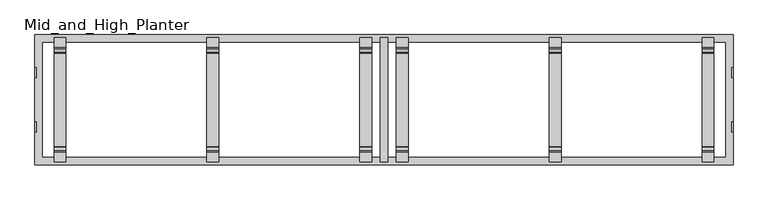
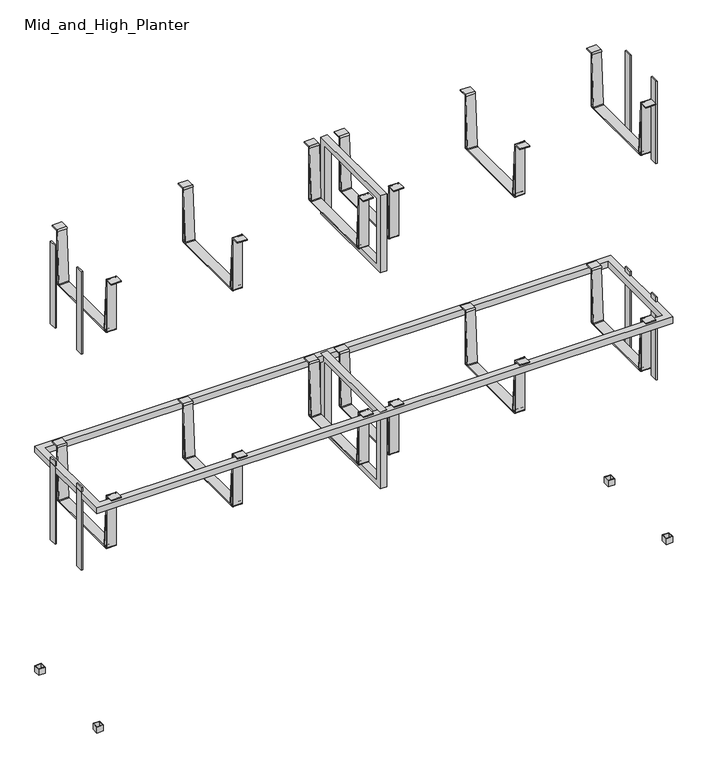
"""IFC4 building model written with IfcOpenShell, lengths in millimetres: furniture geometry, Mid_and_High_Planter."""

import ifcopenshell
import ifcopenshell.guid

model = None  # the IFC model being written
_history = None  # IfcOwnerHistory: only IFC2X3 demands one
_inside = {}  # id of a spatial element -> (the spatial element, [elements in it])
_under = {}  # id of a project, library or spatial element -> (it, [spatial elements below it])
_declared = {}  # id of a project -> (the project, [libraries it declares])
_typed = {}  # id of a type object -> (the type object, [elements of that type])
_made_of = {}  # id of a material, layer set ... -> (it, [elements and type objects made of it])


def new_model(schema):
    """Start an empty IFC model of exactly this schema.

    Asked for "IFC4X3", IfcOpenShell would pick the latest addendum, in which some entities
    have other attributes; the version numbers below select the first issue.
    IFC2X3 requires an IfcOwnerHistory on every rooted entity: one is made here for all.
    """
    global model, _history
    if schema == "IFC4X3":
        model = ifcopenshell.file(schema_version=(4, 3, 0, 0))
    else:
        model = ifcopenshell.file(schema=schema)
    _inside.clear()
    _under.clear()
    _declared.clear()
    _typed.clear()
    _made_of.clear()
    _history = None
    if model.schema == "IFC2X3":
        org = make("IfcOrganization", Name="unknown")
        user = make(
            "IfcPersonAndOrganization",
            ThePerson=make("IfcPerson", FamilyName="unknown"),
            TheOrganization=org,
        )
        app = make(
            "IfcApplication",
            ApplicationDeveloper=org,
            Version="unknown",
            ApplicationFullName="unknown",
            ApplicationIdentifier="unknown",
        )
        _history = make(
            "IfcOwnerHistory",
            OwningUser=user,
            OwningApplication=app,
            ChangeAction="ADDED",
            CreationDate=0,
        )
    return model


def make(cls, **values):
    """One entity of the class cls with the attributes given. An attribute that is None is left unset."""
    return model.create_entity(
        cls, **{name: value for name, value in values.items() if value is not None}
    )


def rooted(cls, **values):
    """An entity with a GlobalId (a new one), such as an element, a storey or a relation."""
    return make(cls, GlobalId=ifcopenshell.guid.new(), OwnerHistory=_history, **values)


def si_unit(unit_type, name, prefix=None):
    """IfcSIUnit, for example si_unit("LENGTHUNIT", "METRE", prefix="MILLI")."""
    return make("IfcSIUnit", UnitType=unit_type, Prefix=prefix, Name=name)


def assignment(units):
    """IfcUnitAssignment: the units of a project."""
    return None if units is None else make("IfcUnitAssignment", Units=units)


def point(xyz):
    """IfcCartesianPoint."""
    return None if xyz is None else make("IfcCartesianPoint", Coordinates=xyz)


def direction(xyz):
    """IfcDirection."""
    return None if xyz is None else make("IfcDirection", DirectionRatios=xyz)


def frame(location, z_axis=None, x_axis=None):
    """IfcAxis2Placement3D, a coordinate frame: its origin and axes. An axis left out is left unset."""
    return make(
        "IfcAxis2Placement3D",
        Location=point(location),
        Axis=direction(z_axis),
        RefDirection=direction(x_axis),
    )


def frame_2d(location, x_axis=None):
    """IfcAxis2Placement2D, a coordinate frame in the plane: its origin and x axis."""
    return make(
        "IfcAxis2Placement2D", Location=point(location), RefDirection=direction(x_axis)
    )


def origin():
    """The frame at (0, 0, 0) with its axes left unset."""
    return frame((0.0, 0.0, 0.0))


def place(relative_to, where):
    """IfcLocalPlacement: puts the frame where relative to a parent placement (None: the world)."""
    return make(
        "IfcLocalPlacement", PlacementRelTo=relative_to, RelativePlacement=where
    )


def context(
    kind, dimensions, precision=None, world=None, true_north=None, identifier=None
):
    """IfcGeometricRepresentationContext, for example the 3D "Model" context."""
    return make(
        "IfcGeometricRepresentationContext",
        ContextIdentifier=identifier,
        ContextType=kind,
        CoordinateSpaceDimension=dimensions,
        Precision=precision,
        WorldCoordinateSystem=world,
        TrueNorth=true_north,
    )


def project(units=None, contexts=None):
    """IfcProject with its units and contexts."""
    return rooted(
        "IfcProject",
        Name="project",
        RepresentationContexts=contexts,
        UnitsInContext=assignment(units),
    )


def spatial(cls, under=None, at=None, **own):
    """A site, building, storey or space (cls), placed at a placement, below another one or the project."""
    s = rooted(cls, ObjectPlacement=at, **own)
    if under is not None:
        _under.setdefault(under.id(), (under, []))[1].append(s)
    return s


def polyline(points):
    """IfcPolyline through the points."""
    return make("IfcPolyline", Points=[point(p) for p in points])


def circle_curve(where, radius):
    """IfcCircle in the frame where."""
    return make("IfcCircle", Position=where, Radius=radius)


def trimmed(basis, trim1, trim2, sense, master):
    """IfcTrimmedCurve: the piece of a basis curve between two trims."""
    return make(
        "IfcTrimmedCurve",
        BasisCurve=basis,
        Trim1=trim1,
        Trim2=trim2,
        SenseAgreement=sense,
        MasterRepresentation=master,
    )


def segment(curve, same_sense, transition):
    """IfcCompositeCurveSegment."""
    return make(
        "IfcCompositeCurveSegment",
        Transition=transition,
        SameSense=same_sense,
        ParentCurve=curve,
    )


def composite_curve(segments, self_intersect=None):
    """IfcCompositeCurve: segments joined end to end."""
    return make("IfcCompositeCurve", Segments=segments, SelfIntersect=self_intersect)


def outline(outer, holes=None, kind="AREA"):
    """IfcArbitraryClosedProfileDef: a profile drawn as a closed curve; with holes, ...WithVoids."""
    if holes is None:
        return make("IfcArbitraryClosedProfileDef", ProfileType=kind, OuterCurve=outer)
    return make(
        "IfcArbitraryProfileDefWithVoids",
        ProfileType=kind,
        OuterCurve=outer,
        InnerCurves=holes,
    )


def extrude(swept, where, along, depth):
    """IfcExtrudedAreaSolid: the profile swept, set in the frame where, extruded along a direction by depth."""
    return make(
        "IfcExtrudedAreaSolid",
        SweptArea=swept,
        Position=where,
        ExtrudedDirection=direction(along),
        Depth=depth,
    )


def shape(context_of_items, identifier, shape_type, items):
    """IfcShapeRepresentation: the items that make up one representation, for example the "Body"."""
    return make(
        "IfcShapeRepresentation",
        ContextOfItems=context_of_items,
        RepresentationIdentifier=identifier,
        RepresentationType=shape_type,
        Items=items,
    )


def source(mapping_origin, context_of_items, identifier, shape_type, items):
    """IfcRepresentationMap: a shape defined once, which mapped items show again and again."""
    return make(
        "IfcRepresentationMap",
        MappingOrigin=mapping_origin,
        MappedRepresentation=shape(context_of_items, identifier, shape_type, items),
    )


def transform(
    local_origin,
    x_axis=None,
    y_axis=None,
    z_axis=None,
    scale=None,
    scale2=None,
    scale3=None,
    uniform=True,
):
    """IfcCartesianTransformationOperator3D, or its non-uniform kind. x_axis, y_axis, z_axis: its Axis1, 2, 3."""
    if uniform:
        return make(
            "IfcCartesianTransformationOperator3D",
            Axis1=direction(x_axis),
            Axis2=direction(y_axis),
            LocalOrigin=point(local_origin),
            Scale=scale,
            Axis3=direction(z_axis),
        )
    return make(
        "IfcCartesianTransformationOperator3DnonUniform",
        Axis1=direction(x_axis),
        Axis2=direction(y_axis),
        LocalOrigin=point(local_origin),
        Scale=scale,
        Axis3=direction(z_axis),
        Scale2=scale2,
        Scale3=scale3,
    )


def mapped(mapping_source, mapping_target):
    """IfcMappedItem: shows the shape of a source again, moved by a transform."""
    return make(
        "IfcMappedItem", MappingSource=mapping_source, MappingTarget=mapping_target
    )


def made_of(thing, what):
    """Note that an element or type object is made of a material, layer set ...; save() writes the relation."""
    if what is not None:
        _made_of.setdefault(what.id(), (what, []))[1].append(thing)
    return thing


def element(
    cls,
    number,
    at=None,
    inside=None,
    cuts=None,
    type_object=None,
    material=None,
    context=None,
    identifier="Body",
    shape_type=None,
    held_by="IfcProductDefinitionShape",
    body=None,
    shapes=None,
    **own,
):
    """One element of the class cls, such as IfcWall. Its Tag is "e" and its number.

    at: its placement. inside: the storey or other place that contains it. cuts: it is an
    opening in that element (IfcRelVoidsElement). A single representation is given by context,
    identifier, shape_type and body (its items); several are given by shapes. held_by: the class
    of the entity that holds the representations. save() writes the other relations.
    """
    e = rooted(cls, Tag="e%d" % number, ObjectPlacement=at, **own)
    if body is not None:
        shapes = [shape(context, identifier, shape_type, body)]
    if shapes is not None:
        e.Representation = make(held_by, Representations=shapes)
    if inside is not None:
        _inside.setdefault(inside.id(), (inside, []))[1].append(e)
    if cuts is not None:
        rooted(
            "IfcRelVoidsElement", RelatingBuildingElement=cuts, RelatedOpeningElement=e
        )
    if type_object is not None:
        _typed.setdefault(type_object.id(), (type_object, []))[1].append(e)
    return made_of(e, material)


def aggregate(whole, parts):
    """IfcRelAggregates: a whole, such as a stair, and the parts it consists of."""
    return rooted("IfcRelAggregates", RelatingObject=whole, RelatedObjects=parts)


def save(model, path):
    """Write the relations noted so far, then the file.

    IfcRelAggregates (storeys below a building ...), IfcRelContainedInSpatialStructure (elements
    in a storey), IfcRelDefinesByType, IfcRelAssociatesMaterial and IfcRelDeclares: one each for
    every whole, place, type object, material and project.
    """
    for whole, parts in _under.values():
        aggregate(whole, parts)
    for where, things in _inside.values():
        rooted(
            "IfcRelContainedInSpatialStructure",
            RelatedElements=things,
            RelatingStructure=where,
        )
    for kind, things in _typed.values():
        rooted("IfcRelDefinesByType", RelatedObjects=things, RelatingType=kind)
    for what, things in _made_of.values():
        rooted("IfcRelAssociatesMaterial", RelatedObjects=things, RelatingMaterial=what)
    for by, libraries in _declared.values():
        rooted("IfcRelDeclares", RelatingContext=by, RelatedDefinitions=libraries)
    model.write(path)


def mid_and_high_planter_40ad1231(model_context):
    return source(origin(), model_context, "Body", "SweptSolid", [
        extrude(outline(composite_curve([segment(polyline([(158.0, 735.7448428), (158.0, 732.7446206), (133.6526271, 732.7446206)]), True, "CONTINUOUS"), segment(trimmed(circle_curve(frame_2d((133.6526271, 732.0919935)), 0.6526271), [point((133.6526271, 732.7446206))], [point((133.0044486, 732.168064))], True, "CARTESIAN"), True, "CONTINUOUS"), segment(polyline([(133.0044486, 732.168064), (133.0044486, 565.5778561)]), True, "CONTINUOUS"), segment(trimmed(circle_curve(frame_2d((129.171213, 565.5778561)), 3.8332355), [point((133.0044486, 565.5778561))], [point((129.171213, 561.7446206))], False, "CARTESIAN"), True, "CONTINUOUS"), segment(polyline([(129.171213, 561.7446206), (-129.171213, 561.7446206)]), True, "CONTINUOUS"), segment(trimmed(circle_curve(frame_2d((-129.171213, 565.5778561)), 3.8332355), [point((-129.171213, 561.7446206))], [point((-133.0044486, 565.5778561))], False, "CARTESIAN"), True, "CONTINUOUS"), segment(polyline([(-133.0044486, 565.5778561), (-133.0044486, 732.168064)]), True, "CONTINUOUS"), segment(trimmed(circle_curve(frame_2d((-133.6526271, 732.0919935)), 0.6526271), [point((-133.0044486, 732.168064))], [point((-133.6526271, 732.7446206))], True, "CARTESIAN"), True, "CONTINUOUS"), segment(polyline([(-133.6526271, 732.7446206), (-158.0, 732.7446206), (-158.0, 735.7446205), (-133.5475422, 735.7446205)]), True, "CONTINUOUS"), segment(trimmed(circle_curve(frame_2d((-133.5874798, 732.1566406)), 3.5882022), [point((-133.5475422, 735.7446205))], [point((-130.5458851, 730.252987))], False, "CARTESIAN"), True, "CONTINUOUS"), segment(polyline([(-130.5458851, 730.252987), (-120.9835812, 566.7488378)]), True, "CONTINUOUS"), segment(trimmed(circle_curve(frame_2d((-118.8587252, 566.8731069)), 2.1284868), [point((-120.9835812, 566.7488378))], [point((-118.8587252, 564.7446202))], True, "CARTESIAN"), True, "CONTINUOUS"), segment(polyline([(-118.8587252, 564.7446202), (118.8587252, 564.7446202)]), True, "CONTINUOUS"), segment(trimmed(circle_curve(frame_2d((118.8587252, 566.8731069)), 2.1284868), [point((118.8587252, 564.7446202))], [point((120.9835812, 566.7488378))], True, "CARTESIAN"), True, "CONTINUOUS"), segment(polyline([(120.9835812, 566.7488378), (130.5458851, 730.252987)]), True, "CONTINUOUS"), segment(trimmed(circle_curve(frame_2d((133.5874798, 732.1566406)), 3.5882022), [point((130.5458851, 730.252987))], [point((133.5874798, 735.7448428))], False, "CARTESIAN"), True, "CONTINUOUS"), segment(polyline([(133.5874798, 735.7448428), (158.0, 735.7448428)]), True, "CONTINUOUS")], self_intersect=False), holes=[composite_curve([segment(polyline([(123.8714987, 564.7446202), (126.7856967, 564.7446202)]), True, "CONTINUOUS"), segment(trimmed(circle_curve(frame_2d((126.7856967, 567.9583168)), 3.2136966), [point((126.7856967, 564.7446202))], [point((129.9993933, 567.9583168))], True, "CARTESIAN"), True, "CONTINUOUS"), segment(polyline([(129.9993933, 567.9583168), (129.9993933, 669.5316191), (123.8714987, 564.7446202)]), True, "CONTINUOUS")], self_intersect=False), composite_curve([segment(polyline([(-123.8714987, 564.7446202), (-129.9993933, 669.5316191), (-129.9993933, 567.9583168)]), True, "CONTINUOUS"), segment(trimmed(circle_curve(frame_2d((-126.7856967, 567.9583168)), 3.2136966), [point((-129.9993933, 567.9583168))], [point((-126.7856967, 564.7446202))], True, "CARTESIAN"), True, "CONTINUOUS"), segment(polyline([(-126.7856967, 564.7446202), (-123.8714987, 564.7446202)]), True, "CONTINUOUS")], self_intersect=False)]), frame((-836.5, 0.0, 0.0), z_axis=(1.0, 0.0, 0.0), x_axis=(0.0, 1.0, 0.0)), (0.0, 0.0, 1.0), 30.0),
        extrude(outline(composite_curve([segment(polyline([(158.0, 735.7448428), (158.0, 732.7446206), (133.6526271, 732.7446206)]), True, "CONTINUOUS"), segment(trimmed(circle_curve(frame_2d((133.6526271, 732.0919935)), 0.6526271), [point((133.6526271, 732.7446206))], [point((133.0044486, 732.168064))], True, "CARTESIAN"), True, "CONTINUOUS"), segment(polyline([(133.0044486, 732.168064), (133.0044486, 565.5778561)]), True, "CONTINUOUS"), segment(trimmed(circle_curve(frame_2d((129.171213, 565.5778561)), 3.8332355), [point((133.0044486, 565.5778561))], [point((129.171213, 561.7446206))], False, "CARTESIAN"), True, "CONTINUOUS"), segment(polyline([(129.171213, 561.7446206), (-129.171213, 561.7446206)]), True, "CONTINUOUS"), segment(trimmed(circle_curve(frame_2d((-129.171213, 565.5778561)), 3.8332355), [point((-129.171213, 561.7446206))], [point((-133.0044486, 565.5778561))], False, "CARTESIAN"), True, "CONTINUOUS"), segment(polyline([(-133.0044486, 565.5778561), (-133.0044486, 732.168064)]), True, "CONTINUOUS"), segment(trimmed(circle_curve(frame_2d((-133.6526271, 732.0919935)), 0.6526271), [point((-133.0044486, 732.168064))], [point((-133.6526271, 732.7446206))], True, "CARTESIAN"), True, "CONTINUOUS"), segment(polyline([(-133.6526271, 732.7446206), (-158.0, 732.7446206), (-158.0, 735.7446205), (-133.5475422, 735.7446205)]), True, "CONTINUOUS"), segment(trimmed(circle_curve(frame_2d((-133.5874798, 732.1566406)), 3.5882022), [point((-133.5475422, 735.7446205))], [point((-130.5458851, 730.252987))], False, "CARTESIAN"), True, "CONTINUOUS"), segment(polyline([(-130.5458851, 730.252987), (-120.9835812, 566.7488378)]), True, "CONTINUOUS"), segment(trimmed(circle_curve(frame_2d((-118.8587252, 566.8731069)), 2.1284868), [point((-120.9835812, 566.7488378))], [point((-118.8587252, 564.7446202))], True, "CARTESIAN"), True, "CONTINUOUS"), segment(polyline([(-118.8587252, 564.7446202), (118.8587252, 564.7446202)]), True, "CONTINUOUS"), segment(trimmed(circle_curve(frame_2d((118.8587252, 566.8731069)), 2.1284868), [point((118.8587252, 564.7446202))], [point((120.9835812, 566.7488378))], True, "CARTESIAN"), True, "CONTINUOUS"), segment(polyline([(120.9835812, 566.7488378), (130.5458851, 730.252987)]), True, "CONTINUOUS"), segment(trimmed(circle_curve(frame_2d((133.5874798, 732.1566406)), 3.5882022), [point((130.5458851, 730.252987))], [point((133.5874798, 735.7448428))], False, "CARTESIAN"), True, "CONTINUOUS"), segment(polyline([(133.5874798, 735.7448428), (158.0, 735.7448428)]), True, "CONTINUOUS")], self_intersect=False), holes=[composite_curve([segment(polyline([(123.8714987, 564.7446202), (126.7856967, 564.7446202)]), True, "CONTINUOUS"), segment(trimmed(circle_curve(frame_2d((126.7856967, 567.9583168)), 3.2136966), [point((126.7856967, 564.7446202))], [point((129.9993933, 567.9583168))], True, "CARTESIAN"), True, "CONTINUOUS"), segment(polyline([(129.9993933, 567.9583168), (129.9993933, 669.5316191), (123.8714987, 564.7446202)]), True, "CONTINUOUS")], self_intersect=False), composite_curve([segment(polyline([(-123.8714987, 564.7446202), (-129.9993933, 669.5316191), (-129.9993933, 567.9583168)]), True, "CONTINUOUS"), segment(trimmed(circle_curve(frame_2d((-126.7856967, 567.9583168)), 3.2136966), [point((-129.9993933, 567.9583168))], [point((-126.7856967, 564.7446202))], True, "CARTESIAN"), True, "CONTINUOUS"), segment(polyline([(-126.7856967, 564.7446202), (-123.8714987, 564.7446202)]), True, "CONTINUOUS")], self_intersect=False)]), frame((806.5, 0.0, 0.0), z_axis=(1.0, 0.0, 0.0), x_axis=(0.0, 1.0, 0.0)), (0.0, 0.0, 1.0), 30.0),
        extrude(outline(composite_curve([segment(polyline([(158.0, 1437.7448428), (158.0, 1434.7446206), (133.6526271, 1434.7446206)]), True, "CONTINUOUS"), segment(trimmed(circle_curve(frame_2d((133.6526271, 1434.0919935)), 0.6526271), [point((133.6526271, 1434.7446206))], [point((133.0044486, 1434.168064))], True, "CARTESIAN"), True, "CONTINUOUS"), segment(polyline([(133.0044486, 1434.168064), (133.0044486, 1267.5778561)]), True, "CONTINUOUS"), segment(trimmed(circle_curve(frame_2d((129.171213, 1267.5778561)), 3.8332355), [point((133.0044486, 1267.5778561))], [point((129.171213, 1263.7446206))], False, "CARTESIAN"), True, "CONTINUOUS"), segment(polyline([(129.171213, 1263.7446206), (-129.171213, 1263.7446206)]), True, "CONTINUOUS"), segment(trimmed(circle_curve(frame_2d((-129.171213, 1267.5778561)), 3.8332355), [point((-129.171213, 1263.7446206))], [point((-133.0044486, 1267.5778561))], False, "CARTESIAN"), True, "CONTINUOUS"), segment(polyline([(-133.0044486, 1267.5778561), (-133.0044486, 1434.168064)]), True, "CONTINUOUS"), segment(trimmed(circle_curve(frame_2d((-133.6526271, 1434.0919935)), 0.6526271), [point((-133.0044486, 1434.168064))], [point((-133.6526271, 1434.7446206))], True, "CARTESIAN"), True, "CONTINUOUS"), segment(polyline([(-133.6526271, 1434.7446206), (-158.0, 1434.7446206), (-158.0, 1437.7446205), (-133.5475422, 1437.7446205)]), True, "CONTINUOUS"), segment(trimmed(circle_curve(frame_2d((-133.5874798, 1434.1566406)), 3.5882022), [point((-133.5475422, 1437.7446205))], [point((-130.5458851, 1432.252987))], False, "CARTESIAN"), True, "CONTINUOUS"), segment(polyline([(-130.5458851, 1432.252987), (-120.9835812, 1268.7488378)]), True, "CONTINUOUS"), segment(trimmed(circle_curve(frame_2d((-118.8587252, 1268.8731069)), 2.1284868), [point((-120.9835812, 1268.7488378))], [point((-118.8587252, 1266.7446202))], True, "CARTESIAN"), True, "CONTINUOUS"), segment(polyline([(-118.8587252, 1266.7446202), (118.8587252, 1266.7446202)]), True, "CONTINUOUS"), segment(trimmed(circle_curve(frame_2d((118.8587252, 1268.8731069)), 2.1284868), [point((118.8587252, 1266.7446202))], [point((120.9835812, 1268.7488378))], True, "CARTESIAN"), True, "CONTINUOUS"), segment(polyline([(120.9835812, 1268.7488378), (130.5458851, 1432.252987)]), True, "CONTINUOUS"), segment(trimmed(circle_curve(frame_2d((133.5874798, 1434.1566406)), 3.5882022), [point((130.5458851, 1432.252987))], [point((133.5874798, 1437.7448428))], False, "CARTESIAN"), True, "CONTINUOUS"), segment(polyline([(133.5874798, 1437.7448428), (158.0, 1437.7448428)]), True, "CONTINUOUS")], self_intersect=False), holes=[composite_curve([segment(polyline([(123.8714987, 1266.7446202), (126.7856967, 1266.7446202)]), True, "CONTINUOUS"), segment(trimmed(circle_curve(frame_2d((126.7856967, 1269.9583168)), 3.2136966), [point((126.7856967, 1266.7446202))], [point((129.9993933, 1269.9583168))], True, "CARTESIAN"), True, "CONTINUOUS"), segment(polyline([(129.9993933, 1269.9583168), (129.9993933, 1371.5316191), (123.8714987, 1266.7446202)]), True, "CONTINUOUS")], self_intersect=False), composite_curve([segment(polyline([(-123.8714987, 1266.7446202), (-129.9993933, 1371.5316191), (-129.9993933, 1269.9583168)]), True, "CONTINUOUS"), segment(trimmed(circle_curve(frame_2d((-126.7856967, 1269.9583168)), 3.2136966), [point((-129.9993933, 1269.9583168))], [point((-126.7856967, 1266.7446202))], True, "CARTESIAN"), True, "CONTINUOUS"), segment(polyline([(-126.7856967, 1266.7446202), (-123.8714987, 1266.7446202)]), True, "CONTINUOUS")], self_intersect=False)]), frame((-449.0, 0.0, 0.0), z_axis=(1.0, 0.0, 0.0), x_axis=(0.0, 1.0, 0.0)), (0.0, 0.0, 1.0), 30.0),
        extrude(outline(composite_curve([segment(polyline([(158.0, 1437.7448428), (158.0, 1434.7446206), (133.6526271, 1434.7446206)]), True, "CONTINUOUS"), segment(trimmed(circle_curve(frame_2d((133.6526271, 1434.0919935)), 0.6526271), [point((133.6526271, 1434.7446206))], [point((133.0044486, 1434.168064))], True, "CARTESIAN"), True, "CONTINUOUS"), segment(polyline([(133.0044486, 1434.168064), (133.0044486, 1267.5778561)]), True, "CONTINUOUS"), segment(trimmed(circle_curve(frame_2d((129.171213, 1267.5778561)), 3.8332355), [point((133.0044486, 1267.5778561))], [point((129.171213, 1263.7446206))], False, "CARTESIAN"), True, "CONTINUOUS"), segment(polyline([(129.171213, 1263.7446206), (-129.171213, 1263.7446206)]), True, "CONTINUOUS"), segment(trimmed(circle_curve(frame_2d((-129.171213, 1267.5778561)), 3.8332355), [point((-129.171213, 1263.7446206))], [point((-133.0044486, 1267.5778561))], False, "CARTESIAN"), True, "CONTINUOUS"), segment(polyline([(-133.0044486, 1267.5778561), (-133.0044486, 1434.168064)]), True, "CONTINUOUS"), segment(trimmed(circle_curve(frame_2d((-133.6526271, 1434.0919935)), 0.6526271), [point((-133.0044486, 1434.168064))], [point((-133.6526271, 1434.7446206))], True, "CARTESIAN"), True, "CONTINUOUS"), segment(polyline([(-133.6526271, 1434.7446206), (-158.0, 1434.7446206), (-158.0, 1437.7446205), (-133.5475422, 1437.7446205)]), True, "CONTINUOUS"), segment(trimmed(circle_curve(frame_2d((-133.5874798, 1434.1566406)), 3.5882022), [point((-133.5475422, 1437.7446205))], [point((-130.5458851, 1432.252987))], False, "CARTESIAN"), True, "CONTINUOUS"), segment(polyline([(-130.5458851, 1432.252987), (-120.9835812, 1268.7488378)]), True, "CONTINUOUS"), segment(trimmed(circle_curve(frame_2d((-118.8587252, 1268.8731069)), 2.1284868), [point((-120.9835812, 1268.7488378))], [point((-118.8587252, 1266.7446202))], True, "CARTESIAN"), True, "CONTINUOUS"), segment(polyline([(-118.8587252, 1266.7446202), (118.8587252, 1266.7446202)]), True, "CONTINUOUS"), segment(trimmed(circle_curve(frame_2d((118.8587252, 1268.8731069)), 2.1284868), [point((118.8587252, 1266.7446202))], [point((120.9835812, 1268.7488378))], True, "CARTESIAN"), True, "CONTINUOUS"), segment(polyline([(120.9835812, 1268.7488378), (130.5458851, 1432.252987)]), True, "CONTINUOUS"), segment(trimmed(circle_curve(frame_2d((133.5874798, 1434.1566406)), 3.5882022), [point((130.5458851, 1432.252987))], [point((133.5874798, 1437.7448428))], False, "CARTESIAN"), True, "CONTINUOUS"), segment(polyline([(133.5874798, 1437.7448428), (158.0, 1437.7448428)]), True, "CONTINUOUS")], self_intersect=False), holes=[composite_curve([segment(polyline([(123.8714987, 1266.7446202), (126.7856967, 1266.7446202)]), True, "CONTINUOUS"), segment(trimmed(circle_curve(frame_2d((126.7856967, 1269.9583168)), 3.2136966), [point((126.7856967, 1266.7446202))], [point((129.9993933, 1269.9583168))], True, "CARTESIAN"), True, "CONTINUOUS"), segment(polyline([(129.9993933, 1269.9583168), (129.9993933, 1371.5316191), (123.8714987, 1266.7446202)]), True, "CONTINUOUS")], self_intersect=False), composite_curve([segment(polyline([(-123.8714987, 1266.7446202), (-129.9993933, 1371.5316191), (-129.9993933, 1269.9583168)]), True, "CONTINUOUS"), segment(trimmed(circle_curve(frame_2d((-126.7856967, 1269.9583168)), 3.2136966), [point((-129.9993933, 1269.9583168))], [point((-126.7856967, 1266.7446202))], True, "CARTESIAN"), True, "CONTINUOUS"), segment(polyline([(-126.7856967, 1266.7446202), (-123.8714987, 1266.7446202)]), True, "CONTINUOUS")], self_intersect=False)]), frame((-61.5, 0.0, 0.0), z_axis=(1.0, 0.0, 0.0), x_axis=(0.0, 1.0, 0.0)), (0.0, 0.0, 1.0), 30.0),
        extrude(outline(polyline([(-885.0, 57.0), (-885.0, 82.0), (-881.0, 82.0), (-881.0, 57.0), (-885.0, 57.0)])), frame((0.0, 0.0, 478.9987302), z_axis=(0.0, 0.0, 1.0), x_axis=(1.0, 0.0, 0.0)), (0.0, 0.0, 1.0), 268.0),
        extrude(outline(polyline([(-885.0, -82.0), (-885.0, -57.0), (-881.0, -57.0), (-881.0, -82.0), (-885.0, -82.0)])), frame((0.0, 0.0, 478.9987302), z_axis=(0.0, 0.0, 1.0), x_axis=(1.0, 0.0, 0.0)), (0.0, 0.0, 1.0), 268.0),
        extrude(outline(composite_curve([segment(polyline([(158.0, 735.7448428), (158.0, 732.7446206), (133.6526271, 732.7446206)]), True, "CONTINUOUS"), segment(trimmed(circle_curve(frame_2d((133.6526271, 732.0919935)), 0.6526271), [point((133.6526271, 732.7446206))], [point((133.0044486, 732.168064))], True, "CARTESIAN"), True, "CONTINUOUS"), segment(polyline([(133.0044486, 732.168064), (133.0044486, 565.5778561)]), True, "CONTINUOUS"), segment(trimmed(circle_curve(frame_2d((129.171213, 565.5778561)), 3.8332355), [point((133.0044486, 565.5778561))], [point((129.171213, 561.7446206))], False, "CARTESIAN"), True, "CONTINUOUS"), segment(polyline([(129.171213, 561.7446206), (-129.171213, 561.7446206)]), True, "CONTINUOUS"), segment(trimmed(circle_curve(frame_2d((-129.171213, 565.5778561)), 3.8332355), [point((-129.171213, 561.7446206))], [point((-133.0044486, 565.5778561))], False, "CARTESIAN"), True, "CONTINUOUS"), segment(polyline([(-133.0044486, 565.5778561), (-133.0044486, 732.168064)]), True, "CONTINUOUS"), segment(trimmed(circle_curve(frame_2d((-133.6526271, 732.0919935)), 0.6526271), [point((-133.0044486, 732.168064))], [point((-133.6526271, 732.7446206))], True, "CARTESIAN"), True, "CONTINUOUS"), segment(polyline([(-133.6526271, 732.7446206), (-158.0, 732.7446206), (-158.0, 735.7446205), (-133.5475422, 735.7446205)]), True, "CONTINUOUS"), segment(trimmed(circle_curve(frame_2d((-133.5874798, 732.1566406)), 3.5882022), [point((-133.5475422, 735.7446205))], [point((-130.5458851, 730.252987))], False, "CARTESIAN"), True, "CONTINUOUS"), segment(polyline([(-130.5458851, 730.252987), (-120.9835812, 566.7488378)]), True, "CONTINUOUS"), segment(trimmed(circle_curve(frame_2d((-118.8587252, 566.8731069)), 2.1284868), [point((-120.9835812, 566.7488378))], [point((-118.8587252, 564.7446202))], True, "CARTESIAN"), True, "CONTINUOUS"), segment(polyline([(-118.8587252, 564.7446202), (118.8587252, 564.7446202)]), True, "CONTINUOUS"), segment(trimmed(circle_curve(frame_2d((118.8587252, 566.8731069)), 2.1284868), [point((118.8587252, 564.7446202))], [point((120.9835812, 566.7488378))], True, "CARTESIAN"), True, "CONTINUOUS"), segment(polyline([(120.9835812, 566.7488378), (130.5458851, 730.252987)]), True, "CONTINUOUS"), segment(trimmed(circle_curve(frame_2d((133.5874798, 732.1566406)), 3.5882022), [point((130.5458851, 730.252987))], [point((133.5874798, 735.7448428))], False, "CARTESIAN"), True, "CONTINUOUS"), segment(polyline([(133.5874798, 735.7448428), (158.0, 735.7448428)]), True, "CONTINUOUS")], self_intersect=False), holes=[composite_curve([segment(polyline([(123.8714987, 564.7446202), (126.7856967, 564.7446202)]), True, "CONTINUOUS"), segment(trimmed(circle_curve(frame_2d((126.7856967, 567.9583168)), 3.2136966), [point((126.7856967, 564.7446202))], [point((129.9993933, 567.9583168))], True, "CARTESIAN"), True, "CONTINUOUS"), segment(polyline([(129.9993933, 567.9583168), (129.9993933, 669.5316191), (123.8714987, 564.7446202)]), True, "CONTINUOUS")], self_intersect=False), composite_curve([segment(polyline([(-123.8714987, 564.7446202), (-129.9993933, 669.5316191), (-129.9993933, 567.9583168)]), True, "CONTINUOUS"), segment(trimmed(circle_curve(frame_2d((-126.7856967, 567.9583168)), 3.2136966), [point((-129.9993933, 567.9583168))], [point((-126.7856967, 564.7446202))], True, "CARTESIAN"), True, "CONTINUOUS"), segment(polyline([(-126.7856967, 564.7446202), (-123.8714987, 564.7446202)]), True, "CONTINUOUS")], self_intersect=False)]), frame((31.5, 0.0, 0.0), z_axis=(1.0, 0.0, 0.0), x_axis=(0.0, 1.0, 0.0)), (0.0, 0.0, 1.0), 30.0),
        extrude(outline(composite_curve([segment(polyline([(158.0, 735.7448428), (158.0, 732.7446206), (133.6526271, 732.7446206)]), True, "CONTINUOUS"), segment(trimmed(circle_curve(frame_2d((133.6526271, 732.0919935)), 0.6526271), [point((133.6526271, 732.7446206))], [point((133.0044486, 732.168064))], True, "CARTESIAN"), True, "CONTINUOUS"), segment(polyline([(133.0044486, 732.168064), (133.0044486, 565.5778561)]), True, "CONTINUOUS"), segment(trimmed(circle_curve(frame_2d((129.171213, 565.5778561)), 3.8332355), [point((133.0044486, 565.5778561))], [point((129.171213, 561.7446206))], False, "CARTESIAN"), True, "CONTINUOUS"), segment(polyline([(129.171213, 561.7446206), (-129.171213, 561.7446206)]), True, "CONTINUOUS"), segment(trimmed(circle_curve(frame_2d((-129.171213, 565.5778561)), 3.8332355), [point((-129.171213, 561.7446206))], [point((-133.0044486, 565.5778561))], False, "CARTESIAN"), True, "CONTINUOUS"), segment(polyline([(-133.0044486, 565.5778561), (-133.0044486, 732.168064)]), True, "CONTINUOUS"), segment(trimmed(circle_curve(frame_2d((-133.6526271, 732.0919935)), 0.6526271), [point((-133.0044486, 732.168064))], [point((-133.6526271, 732.7446206))], True, "CARTESIAN"), True, "CONTINUOUS"), segment(polyline([(-133.6526271, 732.7446206), (-158.0, 732.7446206), (-158.0, 735.7446205), (-133.5475422, 735.7446205)]), True, "CONTINUOUS"), segment(trimmed(circle_curve(frame_2d((-133.5874798, 732.1566406)), 3.5882022), [point((-133.5475422, 735.7446205))], [point((-130.5458851, 730.252987))], False, "CARTESIAN"), True, "CONTINUOUS"), segment(polyline([(-130.5458851, 730.252987), (-120.9835812, 566.7488378)]), True, "CONTINUOUS"), segment(trimmed(circle_curve(frame_2d((-118.8587252, 566.8731069)), 2.1284868), [point((-120.9835812, 566.7488378))], [point((-118.8587252, 564.7446202))], True, "CARTESIAN"), True, "CONTINUOUS"), segment(polyline([(-118.8587252, 564.7446202), (118.8587252, 564.7446202)]), True, "CONTINUOUS"), segment(trimmed(circle_curve(frame_2d((118.8587252, 566.8731069)), 2.1284868), [point((118.8587252, 564.7446202))], [point((120.9835812, 566.7488378))], True, "CARTESIAN"), True, "CONTINUOUS"), segment(polyline([(120.9835812, 566.7488378), (130.5458851, 730.252987)]), True, "CONTINUOUS"), segment(trimmed(circle_curve(frame_2d((133.5874798, 732.1566406)), 3.5882022), [point((130.5458851, 730.252987))], [point((133.5874798, 735.7448428))], False, "CARTESIAN"), True, "CONTINUOUS"), segment(polyline([(133.5874798, 735.7448428), (158.0, 735.7448428)]), True, "CONTINUOUS")], self_intersect=False), holes=[composite_curve([segment(polyline([(123.8714987, 564.7446202), (126.7856967, 564.7446202)]), True, "CONTINUOUS"), segment(trimmed(circle_curve(frame_2d((126.7856967, 567.9583168)), 3.2136966), [point((126.7856967, 564.7446202))], [point((129.9993933, 567.9583168))], True, "CARTESIAN"), True, "CONTINUOUS"), segment(polyline([(129.9993933, 567.9583168), (129.9993933, 669.5316191), (123.8714987, 564.7446202)]), True, "CONTINUOUS")], self_intersect=False), composite_curve([segment(polyline([(-123.8714987, 564.7446202), (-129.9993933, 669.5316191), (-129.9993933, 567.9583168)]), True, "CONTINUOUS"), segment(trimmed(circle_curve(frame_2d((-126.7856967, 567.9583168)), 3.2136966), [point((-129.9993933, 567.9583168))], [point((-126.7856967, 564.7446202))], True, "CARTESIAN"), True, "CONTINUOUS"), segment(polyline([(-126.7856967, 564.7446202), (-123.8714987, 564.7446202)]), True, "CONTINUOUS")], self_intersect=False)]), frame((419.0, 0.0, 0.0), z_axis=(1.0, 0.0, 0.0), x_axis=(0.0, 1.0, 0.0)), (0.0, 0.0, 1.0), 30.0),
        extrude(outline(composite_curve([segment(polyline([(158.0, 735.7448428), (158.0, 732.7446206), (133.6526271, 732.7446206)]), True, "CONTINUOUS"), segment(trimmed(circle_curve(frame_2d((133.6526271, 732.0919935)), 0.6526271), [point((133.6526271, 732.7446206))], [point((133.0044486, 732.168064))], True, "CARTESIAN"), True, "CONTINUOUS"), segment(polyline([(133.0044486, 732.168064), (133.0044486, 565.5778561)]), True, "CONTINUOUS"), segment(trimmed(circle_curve(frame_2d((129.171213, 565.5778561)), 3.8332355), [point((133.0044486, 565.5778561))], [point((129.171213, 561.7446206))], False, "CARTESIAN"), True, "CONTINUOUS"), segment(polyline([(129.171213, 561.7446206), (-129.171213, 561.7446206)]), True, "CONTINUOUS"), segment(trimmed(circle_curve(frame_2d((-129.171213, 565.5778561)), 3.8332355), [point((-129.171213, 561.7446206))], [point((-133.0044486, 565.5778561))], False, "CARTESIAN"), True, "CONTINUOUS"), segment(polyline([(-133.0044486, 565.5778561), (-133.0044486, 732.168064)]), True, "CONTINUOUS"), segment(trimmed(circle_curve(frame_2d((-133.6526271, 732.0919935)), 0.6526271), [point((-133.0044486, 732.168064))], [point((-133.6526271, 732.7446206))], True, "CARTESIAN"), True, "CONTINUOUS"), segment(polyline([(-133.6526271, 732.7446206), (-158.0, 732.7446206), (-158.0, 735.7446205), (-133.5475422, 735.7446205)]), True, "CONTINUOUS"), segment(trimmed(circle_curve(frame_2d((-133.5874798, 732.1566406)), 3.5882022), [point((-133.5475422, 735.7446205))], [point((-130.5458851, 730.252987))], False, "CARTESIAN"), True, "CONTINUOUS"), segment(polyline([(-130.5458851, 730.252987), (-120.9835812, 566.7488378)]), True, "CONTINUOUS"), segment(trimmed(circle_curve(frame_2d((-118.8587252, 566.8731069)), 2.1284868), [point((-120.9835812, 566.7488378))], [point((-118.8587252, 564.7446202))], True, "CARTESIAN"), True, "CONTINUOUS"), segment(polyline([(-118.8587252, 564.7446202), (118.8587252, 564.7446202)]), True, "CONTINUOUS"), segment(trimmed(circle_curve(frame_2d((118.8587252, 566.8731069)), 2.1284868), [point((118.8587252, 564.7446202))], [point((120.9835812, 566.7488378))], True, "CARTESIAN"), True, "CONTINUOUS"), segment(polyline([(120.9835812, 566.7488378), (130.5458851, 730.252987)]), True, "CONTINUOUS"), segment(trimmed(circle_curve(frame_2d((133.5874798, 732.1566406)), 3.5882022), [point((130.5458851, 730.252987))], [point((133.5874798, 735.7448428))], False, "CARTESIAN"), True, "CONTINUOUS"), segment(polyline([(133.5874798, 735.7448428), (158.0, 735.7448428)]), True, "CONTINUOUS")], self_intersect=False), holes=[composite_curve([segment(polyline([(123.8714987, 564.7446202), (126.7856967, 564.7446202)]), True, "CONTINUOUS"), segment(trimmed(circle_curve(frame_2d((126.7856967, 567.9583168)), 3.2136966), [point((126.7856967, 564.7446202))], [point((129.9993933, 567.9583168))], True, "CARTESIAN"), True, "CONTINUOUS"), segment(polyline([(129.9993933, 567.9583168), (129.9993933, 669.5316191), (123.8714987, 564.7446202)]), True, "CONTINUOUS")], self_intersect=False), composite_curve([segment(polyline([(-123.8714987, 564.7446202), (-129.9993933, 669.5316191), (-129.9993933, 567.9583168)]), True, "CONTINUOUS"), segment(trimmed(circle_curve(frame_2d((-126.7856967, 567.9583168)), 3.2136966), [point((-129.9993933, 567.9583168))], [point((-126.7856967, 564.7446202))], True, "CARTESIAN"), True, "CONTINUOUS"), segment(polyline([(-126.7856967, 564.7446202), (-123.8714987, 564.7446202)]), True, "CONTINUOUS")], self_intersect=False)]), frame((-61.5, 0.0, 0.0), z_axis=(1.0, 0.0, 0.0), x_axis=(0.0, 1.0, 0.0)), (0.0, 0.0, 1.0), 30.0),
        extrude(outline(composite_curve([segment(polyline([(158.0, 735.7448428), (158.0, 732.7446206), (133.6526271, 732.7446206)]), True, "CONTINUOUS"), segment(trimmed(circle_curve(frame_2d((133.6526271, 732.0919935)), 0.6526271), [point((133.6526271, 732.7446206))], [point((133.0044486, 732.168064))], True, "CARTESIAN"), True, "CONTINUOUS"), segment(polyline([(133.0044486, 732.168064), (133.0044486, 565.5778561)]), True, "CONTINUOUS"), segment(trimmed(circle_curve(frame_2d((129.171213, 565.5778561)), 3.8332355), [point((133.0044486, 565.5778561))], [point((129.171213, 561.7446206))], False, "CARTESIAN"), True, "CONTINUOUS"), segment(polyline([(129.171213, 561.7446206), (-129.171213, 561.7446206)]), True, "CONTINUOUS"), segment(trimmed(circle_curve(frame_2d((-129.171213, 565.5778561)), 3.8332355), [point((-129.171213, 561.7446206))], [point((-133.0044486, 565.5778561))], False, "CARTESIAN"), True, "CONTINUOUS"), segment(polyline([(-133.0044486, 565.5778561), (-133.0044486, 732.168064)]), True, "CONTINUOUS"), segment(trimmed(circle_curve(frame_2d((-133.6526271, 732.0919935)), 0.6526271), [point((-133.0044486, 732.168064))], [point((-133.6526271, 732.7446206))], True, "CARTESIAN"), True, "CONTINUOUS"), segment(polyline([(-133.6526271, 732.7446206), (-158.0, 732.7446206), (-158.0, 735.7446205), (-133.5475422, 735.7446205)]), True, "CONTINUOUS"), segment(trimmed(circle_curve(frame_2d((-133.5874798, 732.1566406)), 3.5882022), [point((-133.5475422, 735.7446205))], [point((-130.5458851, 730.252987))], False, "CARTESIAN"), True, "CONTINUOUS"), segment(polyline([(-130.5458851, 730.252987), (-120.9835812, 566.7488378)]), True, "CONTINUOUS"), segment(trimmed(circle_curve(frame_2d((-118.8587252, 566.8731069)), 2.1284868), [point((-120.9835812, 566.7488378))], [point((-118.8587252, 564.7446202))], True, "CARTESIAN"), True, "CONTINUOUS"), segment(polyline([(-118.8587252, 564.7446202), (118.8587252, 564.7446202)]), True, "CONTINUOUS"), segment(trimmed(circle_curve(frame_2d((118.8587252, 566.8731069)), 2.1284868), [point((118.8587252, 564.7446202))], [point((120.9835812, 566.7488378))], True, "CARTESIAN"), True, "CONTINUOUS"), segment(polyline([(120.9835812, 566.7488378), (130.5458851, 730.252987)]), True, "CONTINUOUS"), segment(trimmed(circle_curve(frame_2d((133.5874798, 732.1566406)), 3.5882022), [point((130.5458851, 730.252987))], [point((133.5874798, 735.7448428))], False, "CARTESIAN"), True, "CONTINUOUS"), segment(polyline([(133.5874798, 735.7448428), (158.0, 735.7448428)]), True, "CONTINUOUS")], self_intersect=False), holes=[composite_curve([segment(polyline([(123.8714987, 564.7446202), (126.7856967, 564.7446202)]), True, "CONTINUOUS"), segment(trimmed(circle_curve(frame_2d((126.7856967, 567.9583168)), 3.2136966), [point((126.7856967, 564.7446202))], [point((129.9993933, 567.9583168))], True, "CARTESIAN"), True, "CONTINUOUS"), segment(polyline([(129.9993933, 567.9583168), (129.9993933, 669.5316191), (123.8714987, 564.7446202)]), True, "CONTINUOUS")], self_intersect=False), composite_curve([segment(polyline([(-123.8714987, 564.7446202), (-129.9993933, 669.5316191), (-129.9993933, 567.9583168)]), True, "CONTINUOUS"), segment(trimmed(circle_curve(frame_2d((-126.7856967, 567.9583168)), 3.2136966), [point((-129.9993933, 567.9583168))], [point((-126.7856967, 564.7446202))], True, "CARTESIAN"), True, "CONTINUOUS"), segment(polyline([(-126.7856967, 564.7446202), (-123.8714987, 564.7446202)]), True, "CONTINUOUS")], self_intersect=False)]), frame((-449.0, 0.0, 0.0), z_axis=(1.0, 0.0, 0.0), x_axis=(0.0, 1.0, 0.0)), (0.0, 0.0, 1.0), 30.0),
        extrude(outline(polyline([(885.0, 82.0), (885.0, 57.0), (881.0, 57.0), (881.0, 82.0), (885.0, 82.0)])), frame((0.0, 0.0, 478.9987302), z_axis=(0.0, 0.0, 1.0), x_axis=(1.0, 0.0, 0.0)), (0.0, 0.0, 1.0), 268.0),
        extrude(outline(polyline([(885.0, -57.0), (885.0, -82.0), (881.0, -82.0), (881.0, -57.0), (885.0, -57.0)])), frame((0.0, 0.0, 478.9987302), z_axis=(0.0, 0.0, 1.0), x_axis=(1.0, 0.0, 0.0)), (0.0, 0.0, 1.0), 268.0),
        extrude(outline(polyline([(-158.0, 732.7446206), (158.0, 732.7446206), (158.0, 482.7446206), (-158.0, 482.7446206), (-158.0, 732.7446206)]), holes=[polyline([(138.0, 502.7446206), (138.0, 712.7446206), (-138.0, 712.7446206), (-138.0, 502.7446206), (138.0, 502.7446206)])]), frame((-10.0, 0.0, 0.0), z_axis=(1.0, 0.0, 0.0), x_axis=(0.0, 1.0, 0.0)), (0.0, 0.0, 1.0), 20.0),
        extrude(outline(polyline([(885.0, -165.0), (-885.0, -165.0), (-885.0, 165.0), (885.0, 165.0), (885.0, -165.0)]), holes=[polyline([(865.0, 145.0), (-865.0, 145.0), (-865.0, -145.0), (865.0, -145.0), (865.0, 145.0)])]), frame((0.0, 0.0, 712.7446206), z_axis=(0.0, 0.0, 1.0), x_axis=(1.0, 0.0, 0.0)), (0.0, 0.0, 1.0), 20.0),
        extrude(outline(polyline([(-885.0, 57.0), (-885.0, 82.0), (-881.0, 82.0), (-881.0, 57.0), (-885.0, 57.0)])), frame((0.0, 0.0, 1180.9987302), z_axis=(0.0, 0.0, 1.0), x_axis=(1.0, 0.0, 0.0)), (0.0, 0.0, 1.0), 268.0),
        extrude(outline(polyline([(-885.0, -82.0), (-885.0, -57.0), (-881.0, -57.0), (-881.0, -82.0), (-885.0, -82.0)])), frame((0.0, 0.0, 1180.9987302), z_axis=(0.0, 0.0, 1.0), x_axis=(1.0, 0.0, 0.0)), (0.0, 0.0, 1.0), 268.0),
        extrude(outline(composite_curve([segment(polyline([(158.0, 1437.7448428), (158.0, 1434.7446206), (133.6526271, 1434.7446206)]), True, "CONTINUOUS"), segment(trimmed(circle_curve(frame_2d((133.6526271, 1434.0919935)), 0.6526271), [point((133.6526271, 1434.7446206))], [point((133.0044486, 1434.168064))], True, "CARTESIAN"), True, "CONTINUOUS"), segment(polyline([(133.0044486, 1434.168064), (133.0044486, 1267.5778561)]), True, "CONTINUOUS"), segment(trimmed(circle_curve(frame_2d((129.171213, 1267.5778561)), 3.8332355), [point((133.0044486, 1267.5778561))], [point((129.171213, 1263.7446206))], False, "CARTESIAN"), True, "CONTINUOUS"), segment(polyline([(129.171213, 1263.7446206), (-129.171213, 1263.7446206)]), True, "CONTINUOUS"), segment(trimmed(circle_curve(frame_2d((-129.171213, 1267.5778561)), 3.8332355), [point((-129.171213, 1263.7446206))], [point((-133.0044486, 1267.5778561))], False, "CARTESIAN"), True, "CONTINUOUS"), segment(polyline([(-133.0044486, 1267.5778561), (-133.0044486, 1434.168064)]), True, "CONTINUOUS"), segment(trimmed(circle_curve(frame_2d((-133.6526271, 1434.0919935)), 0.6526271), [point((-133.0044486, 1434.168064))], [point((-133.6526271, 1434.7446206))], True, "CARTESIAN"), True, "CONTINUOUS"), segment(polyline([(-133.6526271, 1434.7446206), (-158.0, 1434.7446206), (-158.0, 1437.7446205), (-133.5475422, 1437.7446205)]), True, "CONTINUOUS"), segment(trimmed(circle_curve(frame_2d((-133.5874798, 1434.1566406)), 3.5882022), [point((-133.5475422, 1437.7446205))], [point((-130.5458851, 1432.252987))], False, "CARTESIAN"), True, "CONTINUOUS"), segment(polyline([(-130.5458851, 1432.252987), (-120.9835812, 1268.7488378)]), True, "CONTINUOUS"), segment(trimmed(circle_curve(frame_2d((-118.8587252, 1268.8731069)), 2.1284868), [point((-120.9835812, 1268.7488378))], [point((-118.8587252, 1266.7446202))], True, "CARTESIAN"), True, "CONTINUOUS"), segment(polyline([(-118.8587252, 1266.7446202), (118.8587252, 1266.7446202)]), True, "CONTINUOUS"), segment(trimmed(circle_curve(frame_2d((118.8587252, 1268.8731069)), 2.1284868), [point((118.8587252, 1266.7446202))], [point((120.9835812, 1268.7488378))], True, "CARTESIAN"), True, "CONTINUOUS"), segment(polyline([(120.9835812, 1268.7488378), (130.5458851, 1432.252987)]), True, "CONTINUOUS"), segment(trimmed(circle_curve(frame_2d((133.5874798, 1434.1566406)), 3.5882022), [point((130.5458851, 1432.252987))], [point((133.5874798, 1437.7448428))], False, "CARTESIAN"), True, "CONTINUOUS"), segment(polyline([(133.5874798, 1437.7448428), (158.0, 1437.7448428)]), True, "CONTINUOUS")], self_intersect=False), holes=[composite_curve([segment(polyline([(123.8714987, 1266.7446202), (126.7856967, 1266.7446202)]), True, "CONTINUOUS"), segment(trimmed(circle_curve(frame_2d((126.7856967, 1269.9583168)), 3.2136966), [point((126.7856967, 1266.7446202))], [point((129.9993933, 1269.9583168))], True, "CARTESIAN"), True, "CONTINUOUS"), segment(polyline([(129.9993933, 1269.9583168), (129.9993933, 1371.5316191), (123.8714987, 1266.7446202)]), True, "CONTINUOUS")], self_intersect=False), composite_curve([segment(polyline([(-123.8714987, 1266.7446202), (-129.9993933, 1371.5316191), (-129.9993933, 1269.9583168)]), True, "CONTINUOUS"), segment(trimmed(circle_curve(frame_2d((-126.7856967, 1269.9583168)), 3.2136966), [point((-129.9993933, 1269.9583168))], [point((-126.7856967, 1266.7446202))], True, "CARTESIAN"), True, "CONTINUOUS"), segment(polyline([(-126.7856967, 1266.7446202), (-123.8714987, 1266.7446202)]), True, "CONTINUOUS")], self_intersect=False)]), frame((806.5, 0.0, 0.0), z_axis=(1.0, 0.0, 0.0), x_axis=(0.0, 1.0, 0.0)), (0.0, 0.0, 1.0), 30.0),
        extrude(outline(composite_curve([segment(polyline([(158.0, 1437.7448428), (158.0, 1434.7446206), (133.6526271, 1434.7446206)]), True, "CONTINUOUS"), segment(trimmed(circle_curve(frame_2d((133.6526271, 1434.0919935)), 0.6526271), [point((133.6526271, 1434.7446206))], [point((133.0044486, 1434.168064))], True, "CARTESIAN"), True, "CONTINUOUS"), segment(polyline([(133.0044486, 1434.168064), (133.0044486, 1267.5778561)]), True, "CONTINUOUS"), segment(trimmed(circle_curve(frame_2d((129.171213, 1267.5778561)), 3.8332355), [point((133.0044486, 1267.5778561))], [point((129.171213, 1263.7446206))], False, "CARTESIAN"), True, "CONTINUOUS"), segment(polyline([(129.171213, 1263.7446206), (-129.171213, 1263.7446206)]), True, "CONTINUOUS"), segment(trimmed(circle_curve(frame_2d((-129.171213, 1267.5778561)), 3.8332355), [point((-129.171213, 1263.7446206))], [point((-133.0044486, 1267.5778561))], False, "CARTESIAN"), True, "CONTINUOUS"), segment(polyline([(-133.0044486, 1267.5778561), (-133.0044486, 1434.168064)]), True, "CONTINUOUS"), segment(trimmed(circle_curve(frame_2d((-133.6526271, 1434.0919935)), 0.6526271), [point((-133.0044486, 1434.168064))], [point((-133.6526271, 1434.7446206))], True, "CARTESIAN"), True, "CONTINUOUS"), segment(polyline([(-133.6526271, 1434.7446206), (-158.0, 1434.7446206), (-158.0, 1437.7446205), (-133.5475422, 1437.7446205)]), True, "CONTINUOUS"), segment(trimmed(circle_curve(frame_2d((-133.5874798, 1434.1566406)), 3.5882022), [point((-133.5475422, 1437.7446205))], [point((-130.5458851, 1432.252987))], False, "CARTESIAN"), True, "CONTINUOUS"), segment(polyline([(-130.5458851, 1432.252987), (-120.9835812, 1268.7488378)]), True, "CONTINUOUS"), segment(trimmed(circle_curve(frame_2d((-118.8587252, 1268.8731069)), 2.1284868), [point((-120.9835812, 1268.7488378))], [point((-118.8587252, 1266.7446202))], True, "CARTESIAN"), True, "CONTINUOUS"), segment(polyline([(-118.8587252, 1266.7446202), (118.8587252, 1266.7446202)]), True, "CONTINUOUS"), segment(trimmed(circle_curve(frame_2d((118.8587252, 1268.8731069)), 2.1284868), [point((118.8587252, 1266.7446202))], [point((120.9835812, 1268.7488378))], True, "CARTESIAN"), True, "CONTINUOUS"), segment(polyline([(120.9835812, 1268.7488378), (130.5458851, 1432.252987)]), True, "CONTINUOUS"), segment(trimmed(circle_curve(frame_2d((133.5874798, 1434.1566406)), 3.5882022), [point((130.5458851, 1432.252987))], [point((133.5874798, 1437.7448428))], False, "CARTESIAN"), True, "CONTINUOUS"), segment(polyline([(133.5874798, 1437.7448428), (158.0, 1437.7448428)]), True, "CONTINUOUS")], self_intersect=False), holes=[composite_curve([segment(polyline([(123.8714987, 1266.7446202), (126.7856967, 1266.7446202)]), True, "CONTINUOUS"), segment(trimmed(circle_curve(frame_2d((126.7856967, 1269.9583168)), 3.2136966), [point((126.7856967, 1266.7446202))], [point((129.9993933, 1269.9583168))], True, "CARTESIAN"), True, "CONTINUOUS"), segment(polyline([(129.9993933, 1269.9583168), (129.9993933, 1371.5316191), (123.8714987, 1266.7446202)]), True, "CONTINUOUS")], self_intersect=False), composite_curve([segment(polyline([(-123.8714987, 1266.7446202), (-129.9993933, 1371.5316191), (-129.9993933, 1269.9583168)]), True, "CONTINUOUS"), segment(trimmed(circle_curve(frame_2d((-126.7856967, 1269.9583168)), 3.2136966), [point((-129.9993933, 1269.9583168))], [point((-126.7856967, 1266.7446202))], True, "CARTESIAN"), True, "CONTINUOUS"), segment(polyline([(-126.7856967, 1266.7446202), (-123.8714987, 1266.7446202)]), True, "CONTINUOUS")], self_intersect=False)]), frame((419.0, 0.0, 0.0), z_axis=(1.0, 0.0, 0.0), x_axis=(0.0, 1.0, 0.0)), (0.0, 0.0, 1.0), 30.0),
        extrude(outline(composite_curve([segment(polyline([(158.0, 1437.7448428), (158.0, 1434.7446206), (133.6526271, 1434.7446206)]), True, "CONTINUOUS"), segment(trimmed(circle_curve(frame_2d((133.6526271, 1434.0919935)), 0.6526271), [point((133.6526271, 1434.7446206))], [point((133.0044486, 1434.168064))], True, "CARTESIAN"), True, "CONTINUOUS"), segment(polyline([(133.0044486, 1434.168064), (133.0044486, 1267.5778561)]), True, "CONTINUOUS"), segment(trimmed(circle_curve(frame_2d((129.171213, 1267.5778561)), 3.8332355), [point((133.0044486, 1267.5778561))], [point((129.171213, 1263.7446206))], False, "CARTESIAN"), True, "CONTINUOUS"), segment(polyline([(129.171213, 1263.7446206), (-129.171213, 1263.7446206)]), True, "CONTINUOUS"), segment(trimmed(circle_curve(frame_2d((-129.171213, 1267.5778561)), 3.8332355), [point((-129.171213, 1263.7446206))], [point((-133.0044486, 1267.5778561))], False, "CARTESIAN"), True, "CONTINUOUS"), segment(polyline([(-133.0044486, 1267.5778561), (-133.0044486, 1434.168064)]), True, "CONTINUOUS"), segment(trimmed(circle_curve(frame_2d((-133.6526271, 1434.0919935)), 0.6526271), [point((-133.0044486, 1434.168064))], [point((-133.6526271, 1434.7446206))], True, "CARTESIAN"), True, "CONTINUOUS"), segment(polyline([(-133.6526271, 1434.7446206), (-158.0, 1434.7446206), (-158.0, 1437.7446205), (-133.5475422, 1437.7446205)]), True, "CONTINUOUS"), segment(trimmed(circle_curve(frame_2d((-133.5874798, 1434.1566406)), 3.5882022), [point((-133.5475422, 1437.7446205))], [point((-130.5458851, 1432.252987))], False, "CARTESIAN"), True, "CONTINUOUS"), segment(polyline([(-130.5458851, 1432.252987), (-120.9835812, 1268.7488378)]), True, "CONTINUOUS"), segment(trimmed(circle_curve(frame_2d((-118.8587252, 1268.8731069)), 2.1284868), [point((-120.9835812, 1268.7488378))], [point((-118.8587252, 1266.7446202))], True, "CARTESIAN"), True, "CONTINUOUS"), segment(polyline([(-118.8587252, 1266.7446202), (118.8587252, 1266.7446202)]), True, "CONTINUOUS"), segment(trimmed(circle_curve(frame_2d((118.8587252, 1268.8731069)), 2.1284868), [point((118.8587252, 1266.7446202))], [point((120.9835812, 1268.7488378))], True, "CARTESIAN"), True, "CONTINUOUS"), segment(polyline([(120.9835812, 1268.7488378), (130.5458851, 1432.252987)]), True, "CONTINUOUS"), segment(trimmed(circle_curve(frame_2d((133.5874798, 1434.1566406)), 3.5882022), [point((130.5458851, 1432.252987))], [point((133.5874798, 1437.7448428))], False, "CARTESIAN"), True, "CONTINUOUS"), segment(polyline([(133.5874798, 1437.7448428), (158.0, 1437.7448428)]), True, "CONTINUOUS")], self_intersect=False), holes=[composite_curve([segment(polyline([(123.8714987, 1266.7446202), (126.7856967, 1266.7446202)]), True, "CONTINUOUS"), segment(trimmed(circle_curve(frame_2d((126.7856967, 1269.9583168)), 3.2136966), [point((126.7856967, 1266.7446202))], [point((129.9993933, 1269.9583168))], True, "CARTESIAN"), True, "CONTINUOUS"), segment(polyline([(129.9993933, 1269.9583168), (129.9993933, 1371.5316191), (123.8714987, 1266.7446202)]), True, "CONTINUOUS")], self_intersect=False), composite_curve([segment(polyline([(-123.8714987, 1266.7446202), (-129.9993933, 1371.5316191), (-129.9993933, 1269.9583168)]), True, "CONTINUOUS"), segment(trimmed(circle_curve(frame_2d((-126.7856967, 1269.9583168)), 3.2136966), [point((-129.9993933, 1269.9583168))], [point((-126.7856967, 1266.7446202))], True, "CARTESIAN"), True, "CONTINUOUS"), segment(polyline([(-126.7856967, 1266.7446202), (-123.8714987, 1266.7446202)]), True, "CONTINUOUS")], self_intersect=False)]), frame((31.5, 0.0, 0.0), z_axis=(1.0, 0.0, 0.0), x_axis=(0.0, 1.0, 0.0)), (0.0, 0.0, 1.0), 30.0),
        extrude(outline(polyline([(885.0, 82.0), (885.0, 57.0), (881.0, 57.0), (881.0, 82.0), (885.0, 82.0)])), frame((0.0, 0.0, 1180.9987302), z_axis=(0.0, 0.0, 1.0), x_axis=(1.0, 0.0, 0.0)), (0.0, 0.0, 1.0), 268.0),
        extrude(outline(polyline([(885.0, -57.0), (885.0, -82.0), (881.0, -82.0), (881.0, -57.0), (885.0, -57.0)])), frame((0.0, 0.0, 1180.9987302), z_axis=(0.0, 0.0, 1.0), x_axis=(1.0, 0.0, 0.0)), (0.0, 0.0, 1.0), 268.0),
        extrude(outline(polyline([(-158.0, 1434.7446206), (158.0, 1434.7446206), (158.0, 1184.7446206), (-158.0, 1184.7446206), (-158.0, 1434.7446206)]), holes=[polyline([(138.0, 1204.7446206), (138.0, 1414.7446206), (-138.0, 1414.7446206), (-138.0, 1204.7446206), (138.0, 1204.7446206)])]), frame((-10.0, 0.0, 0.0), z_axis=(1.0, 0.0, 0.0), x_axis=(0.0, 1.0, 0.0)), (0.0, 0.0, 1.0), 20.0),
        extrude(outline(composite_curve([segment(polyline([(158.0, 1437.7448428), (158.0, 1434.7446206), (133.6526271, 1434.7446206)]), True, "CONTINUOUS"), segment(trimmed(circle_curve(frame_2d((133.6526271, 1434.0919935)), 0.6526271), [point((133.6526271, 1434.7446206))], [point((133.0044486, 1434.168064))], True, "CARTESIAN"), True, "CONTINUOUS"), segment(polyline([(133.0044486, 1434.168064), (133.0044486, 1267.5778561)]), True, "CONTINUOUS"), segment(trimmed(circle_curve(frame_2d((129.171213, 1267.5778561)), 3.8332355), [point((133.0044486, 1267.5778561))], [point((129.171213, 1263.7446206))], False, "CARTESIAN"), True, "CONTINUOUS"), segment(polyline([(129.171213, 1263.7446206), (-129.171213, 1263.7446206)]), True, "CONTINUOUS"), segment(trimmed(circle_curve(frame_2d((-129.171213, 1267.5778561)), 3.8332355), [point((-129.171213, 1263.7446206))], [point((-133.0044486, 1267.5778561))], False, "CARTESIAN"), True, "CONTINUOUS"), segment(polyline([(-133.0044486, 1267.5778561), (-133.0044486, 1434.168064)]), True, "CONTINUOUS"), segment(trimmed(circle_curve(frame_2d((-133.6526271, 1434.0919935)), 0.6526271), [point((-133.0044486, 1434.168064))], [point((-133.6526271, 1434.7446206))], True, "CARTESIAN"), True, "CONTINUOUS"), segment(polyline([(-133.6526271, 1434.7446206), (-158.0, 1434.7446206), (-158.0, 1437.7446205), (-133.5475422, 1437.7446205)]), True, "CONTINUOUS"), segment(trimmed(circle_curve(frame_2d((-133.5874798, 1434.1566406)), 3.5882022), [point((-133.5475422, 1437.7446205))], [point((-130.5458851, 1432.252987))], False, "CARTESIAN"), True, "CONTINUOUS"), segment(polyline([(-130.5458851, 1432.252987), (-120.9835812, 1268.7488378)]), True, "CONTINUOUS"), segment(trimmed(circle_curve(frame_2d((-118.8587252, 1268.8731069)), 2.1284868), [point((-120.9835812, 1268.7488378))], [point((-118.8587252, 1266.7446202))], True, "CARTESIAN"), True, "CONTINUOUS"), segment(polyline([(-118.8587252, 1266.7446202), (118.8587252, 1266.7446202)]), True, "CONTINUOUS"), segment(trimmed(circle_curve(frame_2d((118.8587252, 1268.8731069)), 2.1284868), [point((118.8587252, 1266.7446202))], [point((120.9835812, 1268.7488378))], True, "CARTESIAN"), True, "CONTINUOUS"), segment(polyline([(120.9835812, 1268.7488378), (130.5458851, 1432.252987)]), True, "CONTINUOUS"), segment(trimmed(circle_curve(frame_2d((133.5874798, 1434.1566406)), 3.5882022), [point((130.5458851, 1432.252987))], [point((133.5874798, 1437.7448428))], False, "CARTESIAN"), True, "CONTINUOUS"), segment(polyline([(133.5874798, 1437.7448428), (158.0, 1437.7448428)]), True, "CONTINUOUS")], self_intersect=False), holes=[composite_curve([segment(polyline([(123.8714987, 1266.7446202), (126.7856967, 1266.7446202)]), True, "CONTINUOUS"), segment(trimmed(circle_curve(frame_2d((126.7856967, 1269.9583168)), 3.2136966), [point((126.7856967, 1266.7446202))], [point((129.9993933, 1269.9583168))], True, "CARTESIAN"), True, "CONTINUOUS"), segment(polyline([(129.9993933, 1269.9583168), (129.9993933, 1371.5316191), (123.8714987, 1266.7446202)]), True, "CONTINUOUS")], self_intersect=False), composite_curve([segment(polyline([(-123.8714987, 1266.7446202), (-129.9993933, 1371.5316191), (-129.9993933, 1269.9583168)]), True, "CONTINUOUS"), segment(trimmed(circle_curve(frame_2d((-126.7856967, 1269.9583168)), 3.2136966), [point((-129.9993933, 1269.9583168))], [point((-126.7856967, 1266.7446202))], True, "CARTESIAN"), True, "CONTINUOUS"), segment(polyline([(-126.7856967, 1266.7446202), (-123.8714987, 1266.7446202)]), True, "CONTINUOUS")], self_intersect=False)]), frame((-836.5, 0.0, 0.0), z_axis=(1.0, 0.0, 0.0), x_axis=(0.0, 1.0, 0.0)), (0.0, 0.0, 1.0), 30.0),
        extrude(outline(polyline([(-865.0, 165.0), (-865.0, 145.0), (-885.0, 145.0), (-885.0, 165.0), (-865.0, 165.0)]), holes=[polyline([(-866.5, 163.5), (-883.5, 163.5), (-883.5, 146.5), (-866.5, 146.5), (-866.5, 163.5)])]), frame((0.0, 0.0, -0.0012698), z_axis=(0.0, 0.0, 1.0), x_axis=(1.0, 0.0, 0.0)), (0.0, 0.0, 1.0), 19.5),
        extrude(outline(polyline([(-865.0, -165.0), (-885.0, -165.0), (-885.0, -145.0), (-865.0, -145.0), (-865.0, -165.0)]), holes=[polyline([(-866.5, -163.5), (-866.5, -146.5), (-883.5, -146.5), (-883.5, -163.5), (-866.5, -163.5)])]), frame((0.0, 0.0, -0.0012698), z_axis=(0.0, 0.0, 1.0), x_axis=(1.0, 0.0, 0.0)), (0.0, 0.0, 1.0), 19.5),
        extrude(outline(polyline([(865.0, 165.0), (885.0, 165.0), (885.0, 145.0), (865.0, 145.0), (865.0, 165.0)]), holes=[polyline([(866.5, 163.5), (866.5, 146.5), (883.5, 146.5), (883.5, 163.5), (866.5, 163.5)])]), frame((0.0, 0.0, -0.0012698), z_axis=(0.0, 0.0, 1.0), x_axis=(1.0, 0.0, 0.0)), (0.0, 0.0, 1.0), 19.5),
        extrude(outline(polyline([(865.0, -165.0), (865.0, -145.0), (885.0, -145.0), (885.0, -165.0), (865.0, -165.0)]), holes=[polyline([(866.5, -163.5), (883.5, -163.5), (883.5, -146.5), (866.5, -146.5), (866.5, -163.5)])]), frame((0.0, 0.0, -0.0012698), z_axis=(0.0, 0.0, 1.0), x_axis=(1.0, 0.0, 0.0)), (0.0, 0.0, 1.0), 19.5),
    ])


if __name__ == "__main__":
    model = new_model("IFC4")
    model_context = context("Model", 3, world=origin())
    ifc_project = project(units=[si_unit("LENGTHUNIT", "METRE", prefix="MILLI")], contexts=[model_context])
    site = spatial("IfcSite", under=ifc_project)
    building = spatial("IfcBuilding", under=site)
    placement = place(None, origin())
    mid_and_high_planter_shape = mid_and_high_planter_40ad1231(model_context)
    element("IfcFurniture", 1, ObjectType="Mid_and_High_Planter", at=placement, inside=building, context=model_context, shape_type="MappedRepresentation", body=[
        mapped(mid_and_high_planter_shape, transform((0.0, 0.0, 0.0), x_axis=(1.0, 0.0, 0.0), y_axis=(0.0, 1.0, 0.0), z_axis=(0.0, 0.0, 1.0))),
    ])
    save(model, "model.ifc")
